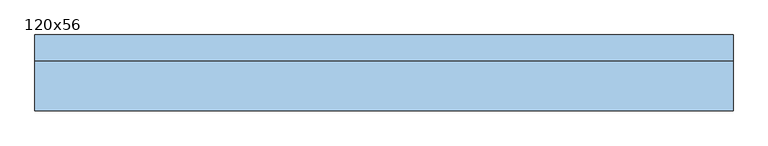
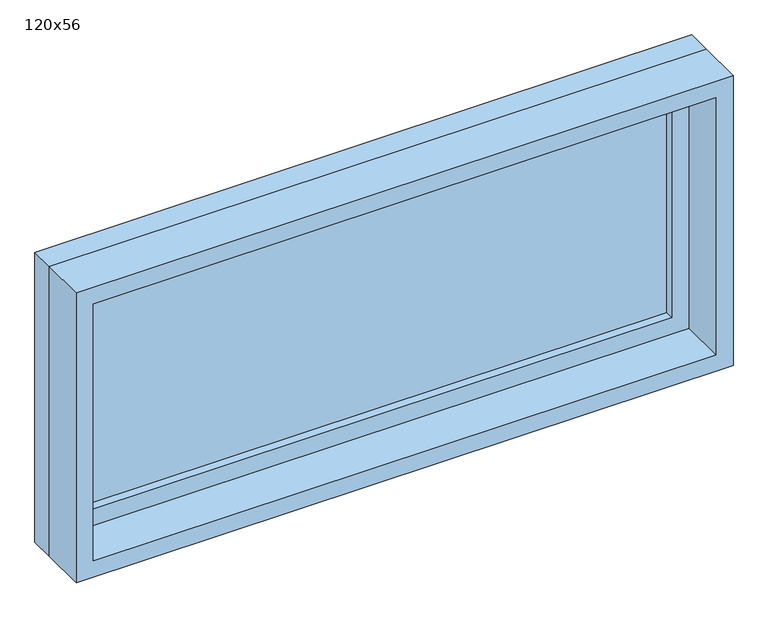
"""IFC4 building model written with IfcOpenShell, lengths in millimetres: window geometry, 120x56."""

from ifc_helpers import new_model, si_unit, frame, origin, place, context, project, spatial, polyline, outline, extrude, source, transform, mapped, element, save


def window_120x56_c8577279(model_context):
    return source(origin(), model_context, "Body", "SweptSolid", [
        extrude(outline(polyline([(498.4, 35.425), (-574.6, 35.425), (-574.6, 48.125), (498.4, 48.125), (498.4, 35.425)])), frame((0.0, 0.0, 977.9), z_axis=(0.0, 0.0, 1.0), x_axis=(1.0, 0.0, 0.0)), (0.0, 0.0, 1.0), 433.0),
        extrude(outline(polyline([(1455.35, -619.05), (933.45, -619.05), (933.45, 542.85), (1455.35, 542.85), (1455.35, -619.05)]), holes=[polyline([(1410.9, -574.6), (1410.9, 498.4), (977.9, 498.4), (977.9, -574.6), (1410.9, -574.6)])]), frame((0.0, 19.55, 0.0), z_axis=(0.0, 1.0, 0.0), x_axis=(0.0, 0.0, 1.0)), (0.0, 0.0, 1.0), 44.45),
        extrude(outline(polyline([(1474.4, -638.1), (914.4, -638.1), (914.4, 561.9), (1474.4, 561.9), (1474.4, -638.1)]), holes=[polyline([(1442.65, -606.35), (1442.65, 530.15), (946.15, 530.15), (946.15, -606.35), (1442.65, -606.35)])]), frame((0.0, -65.0, 0.0), z_axis=(0.0, 1.0, 0.0), x_axis=(0.0, 0.0, 1.0)), (0.0, 0.0, 1.0), 84.55),
        extrude(outline(polyline([(1474.4, 561.9), (1474.4, -638.1), (914.4, -638.1), (914.4, 561.9), (1474.4, 561.9)]), holes=[polyline([(1455.35, 542.85), (933.45, 542.85), (933.45, -619.05), (1455.35, -619.05), (1455.35, 542.85)])]), frame((0.0, 19.55, 0.0), z_axis=(0.0, 1.0, 0.0), x_axis=(0.0, 0.0, 1.0)), (0.0, 0.0, 1.0), 45.45),
    ])


if __name__ == "__main__":
    model = new_model("IFC4")
    model_context = context("Model", 3, world=origin())
    ifc_project = project(units=[si_unit("LENGTHUNIT", "METRE", prefix="MILLI")], contexts=[model_context])
    site = spatial("IfcSite", under=ifc_project)
    building = spatial("IfcBuilding", under=site)
    placement = place(None, origin())
    window_120x56_shape = window_120x56_c8577279(model_context)
    element("IfcWindow", 1, ObjectType="120x56", at=placement, inside=building, context=model_context, shape_type="MappedRepresentation", body=[
        mapped(window_120x56_shape, transform((0.0, 0.0, 0.0), x_axis=(1.0, 0.0, 0.0), y_axis=(0.0, 1.0, 0.0), z_axis=(0.0, 0.0, 1.0))),
    ])
    save(model, "model.ifc")
